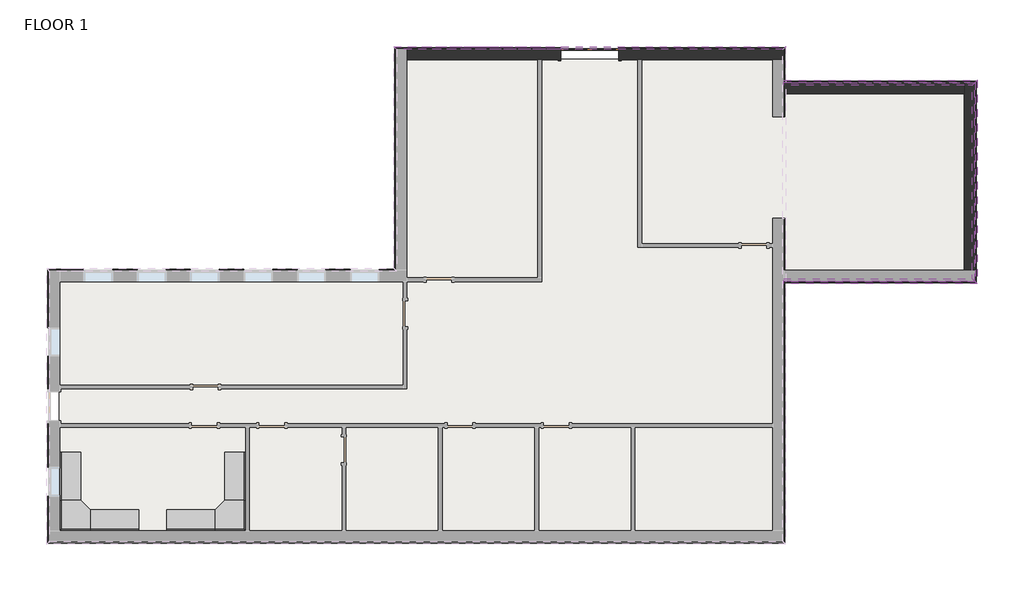
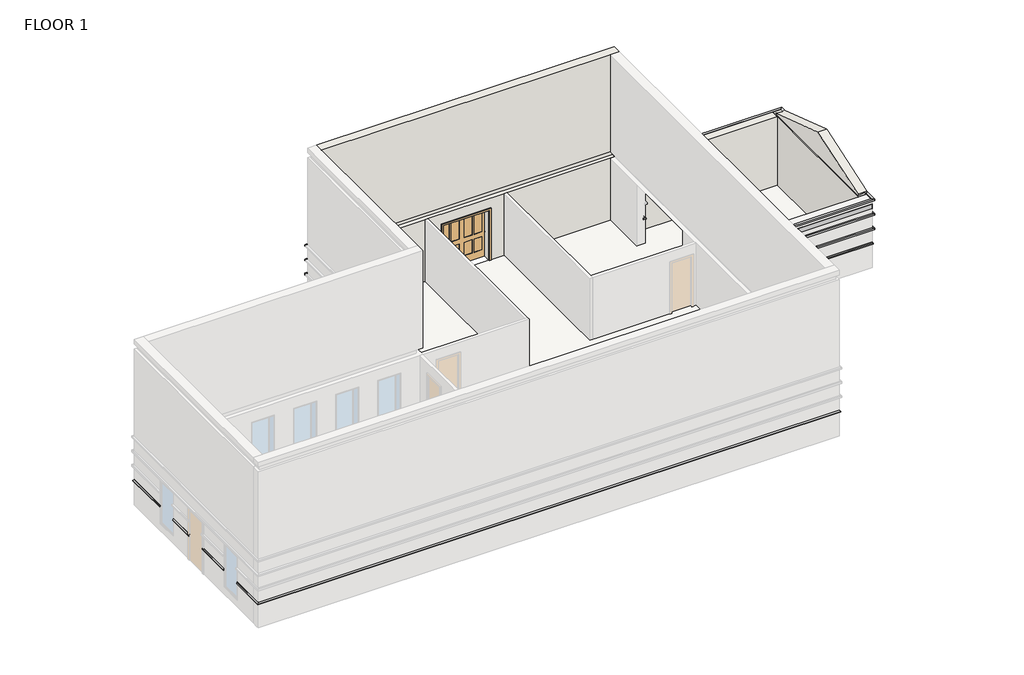
# One storey, part 3 of 3: 24 proxies, 3 walls, 2 furniture elements, 1 door, 1 slab.
"""IFC4 building model written with IfcOpenShell, lengths in millimetres."""

import ifcopenshell
import ifcopenshell.guid

model = None  # the IFC model being written
_history = None  # IfcOwnerHistory: only IFC2X3 demands one
_inside = {}  # id of a spatial element -> (the spatial element, [elements in it])
_under = {}  # id of a project, library or spatial element -> (it, [spatial elements below it])
_declared = {}  # id of a project -> (the project, [libraries it declares])
_typed = {}  # id of a type object -> (the type object, [elements of that type])
_made_of = {}  # id of a material, layer set ... -> (it, [elements and type objects made of it])


def new_model(schema):
    """Start an empty IFC model of exactly this schema.

    Asked for "IFC4X3", IfcOpenShell would pick the latest addendum, in which some entities
    have other attributes; the version numbers below select the first issue.
    IFC2X3 requires an IfcOwnerHistory on every rooted entity: one is made here for all.
    """
    global model, _history
    if schema == "IFC4X3":
        model = ifcopenshell.file(schema_version=(4, 3, 0, 0))
    else:
        model = ifcopenshell.file(schema=schema)
    _inside.clear()
    _under.clear()
    _declared.clear()
    _typed.clear()
    _made_of.clear()
    _history = None
    if model.schema == "IFC2X3":
        org = make("IfcOrganization", Name="unknown")
        user = make(
            "IfcPersonAndOrganization",
            ThePerson=make("IfcPerson", FamilyName="unknown"),
            TheOrganization=org,
        )
        app = make(
            "IfcApplication",
            ApplicationDeveloper=org,
            Version="unknown",
            ApplicationFullName="unknown",
            ApplicationIdentifier="unknown",
        )
        _history = make(
            "IfcOwnerHistory",
            OwningUser=user,
            OwningApplication=app,
            ChangeAction="ADDED",
            CreationDate=0,
        )
    return model


def make(cls, **values):
    """One entity of the class cls with the attributes given. An attribute that is None is left unset."""
    return model.create_entity(
        cls, **{name: value for name, value in values.items() if value is not None}
    )


def rooted(cls, **values):
    """An entity with a GlobalId (a new one), such as an element, a storey or a relation."""
    return make(cls, GlobalId=ifcopenshell.guid.new(), OwnerHistory=_history, **values)


def si_unit(unit_type, name, prefix=None):
    """IfcSIUnit, for example si_unit("LENGTHUNIT", "METRE", prefix="MILLI")."""
    return make("IfcSIUnit", UnitType=unit_type, Prefix=prefix, Name=name)


def assignment(units):
    """IfcUnitAssignment: the units of a project."""
    return None if units is None else make("IfcUnitAssignment", Units=units)


def point(xyz):
    """IfcCartesianPoint."""
    return None if xyz is None else make("IfcCartesianPoint", Coordinates=xyz)


def direction(xyz):
    """IfcDirection."""
    return None if xyz is None else make("IfcDirection", DirectionRatios=xyz)


def frame(location, z_axis=None, x_axis=None):
    """IfcAxis2Placement3D, a coordinate frame: its origin and axes. An axis left out is left unset."""
    return make(
        "IfcAxis2Placement3D",
        Location=point(location),
        Axis=direction(z_axis),
        RefDirection=direction(x_axis),
    )


def origin():
    """The frame at (0, 0, 0) with its axes left unset."""
    return frame((0.0, 0.0, 0.0))


def origin_with_axes():
    """The frame at (0, 0, 0) with the z axis (0, 0, 1) and the x axis (1, 0, 0) written out."""
    return frame((0.0, 0.0, 0.0), z_axis=(0.0, 0.0, 1.0), x_axis=(1.0, 0.0, 0.0))


def place(relative_to, where):
    """IfcLocalPlacement: puts the frame where relative to a parent placement (None: the world)."""
    return make(
        "IfcLocalPlacement", PlacementRelTo=relative_to, RelativePlacement=where
    )


def context(
    kind, dimensions, precision=None, world=None, true_north=None, identifier=None
):
    """IfcGeometricRepresentationContext, for example the 3D "Model" context."""
    return make(
        "IfcGeometricRepresentationContext",
        ContextIdentifier=identifier,
        ContextType=kind,
        CoordinateSpaceDimension=dimensions,
        Precision=precision,
        WorldCoordinateSystem=world,
        TrueNorth=true_north,
    )


def project(units=None, contexts=None):
    """IfcProject with its units and contexts."""
    return rooted(
        "IfcProject",
        Name="project",
        RepresentationContexts=contexts,
        UnitsInContext=assignment(units),
    )


def spatial(cls, under=None, at=None, **own):
    """A site, building, storey or space (cls), placed at a placement, below another one or the project."""
    s = rooted(cls, ObjectPlacement=at, **own)
    if under is not None:
        _under.setdefault(under.id(), (under, []))[1].append(s)
    return s


def polyline(points):
    """IfcPolyline through the points."""
    return make("IfcPolyline", Points=[point(p) for p in points])


def outline(outer, holes=None, kind="AREA"):
    """IfcArbitraryClosedProfileDef: a profile drawn as a closed curve; with holes, ...WithVoids."""
    if holes is None:
        return make("IfcArbitraryClosedProfileDef", ProfileType=kind, OuterCurve=outer)
    return make(
        "IfcArbitraryProfileDefWithVoids",
        ProfileType=kind,
        OuterCurve=outer,
        InnerCurves=holes,
    )


def extrude(swept, where, along, depth):
    """IfcExtrudedAreaSolid: the profile swept, set in the frame where, extruded along a direction by depth."""
    return make(
        "IfcExtrudedAreaSolid",
        SweptArea=swept,
        Position=where,
        ExtrudedDirection=direction(along),
        Depth=depth,
    )


def faces_of(points, faces, orient=None, outer=None):
    """IfcFace entities. A face is a list of loops; a loop is a list of indices into points, from 0.

    orient and outer hold one flag for each loop. By default every Orientation is true, the
    first loop of a face is its IfcFaceOuterBound and the others are IfcFaceBound.
    """
    made = []
    for i, loops in enumerate(faces):
        bounds = []
        for j, loop in enumerate(loops):
            is_outer = j == 0 if outer is None else outer[i][j]
            bounds.append(
                make(
                    "IfcFaceOuterBound" if is_outer else "IfcFaceBound",
                    Bound=make("IfcPolyLoop", Polygon=[points[k] for k in loop]),
                    Orientation=True if orient is None else orient[i][j],
                )
            )
        made.append(make("IfcFace", Bounds=bounds))
    return made


def faceted_brep(points, faces, orient=None, outer=None, voids=None):
    """IfcFacetedBrep: a solid bounded by flat faces; with voids (closed shells), ...WithVoids."""
    shared = [point(p) for p in points]
    hull = make("IfcClosedShell", CfsFaces=faces_of(shared, faces, orient, outer))
    if voids is None:
        return make("IfcFacetedBrep", Outer=hull)
    return make(
        "IfcFacetedBrepWithVoids",
        Outer=hull,
        Voids=[
            make(cls, CfsFaces=faces_of(shared, fs, o, b)) for cls, fs, o, b in voids
        ],
    )


def shape(context_of_items, identifier, shape_type, items):
    """IfcShapeRepresentation: the items that make up one representation, for example the "Body"."""
    return make(
        "IfcShapeRepresentation",
        ContextOfItems=context_of_items,
        RepresentationIdentifier=identifier,
        RepresentationType=shape_type,
        Items=items,
    )


def source(mapping_origin, context_of_items, identifier, shape_type, items):
    """IfcRepresentationMap: a shape defined once, which mapped items show again and again."""
    return make(
        "IfcRepresentationMap",
        MappingOrigin=mapping_origin,
        MappedRepresentation=shape(context_of_items, identifier, shape_type, items),
    )


def transform(
    local_origin,
    x_axis=None,
    y_axis=None,
    z_axis=None,
    scale=None,
    scale2=None,
    scale3=None,
    uniform=True,
):
    """IfcCartesianTransformationOperator3D, or its non-uniform kind. x_axis, y_axis, z_axis: its Axis1, 2, 3."""
    if uniform:
        return make(
            "IfcCartesianTransformationOperator3D",
            Axis1=direction(x_axis),
            Axis2=direction(y_axis),
            LocalOrigin=point(local_origin),
            Scale=scale,
            Axis3=direction(z_axis),
        )
    return make(
        "IfcCartesianTransformationOperator3DnonUniform",
        Axis1=direction(x_axis),
        Axis2=direction(y_axis),
        LocalOrigin=point(local_origin),
        Scale=scale,
        Axis3=direction(z_axis),
        Scale2=scale2,
        Scale3=scale3,
    )


def mapped(mapping_source, mapping_target):
    """IfcMappedItem: shows the shape of a source again, moved by a transform."""
    return make(
        "IfcMappedItem", MappingSource=mapping_source, MappingTarget=mapping_target
    )


def made_of(thing, what):
    """Note that an element or type object is made of a material, layer set ...; save() writes the relation."""
    if what is not None:
        _made_of.setdefault(what.id(), (what, []))[1].append(thing)
    return thing


def element(
    cls,
    number,
    at=None,
    inside=None,
    cuts=None,
    type_object=None,
    material=None,
    context=None,
    identifier="Body",
    shape_type=None,
    held_by="IfcProductDefinitionShape",
    body=None,
    shapes=None,
    **own,
):
    """One element of the class cls, such as IfcWall. Its Tag is "e" and its number.

    at: its placement. inside: the storey or other place that contains it. cuts: it is an
    opening in that element (IfcRelVoidsElement). A single representation is given by context,
    identifier, shape_type and body (its items); several are given by shapes. held_by: the class
    of the entity that holds the representations. save() writes the other relations.
    """
    e = rooted(cls, Tag="e%d" % number, ObjectPlacement=at, **own)
    if body is not None:
        shapes = [shape(context, identifier, shape_type, body)]
    if shapes is not None:
        e.Representation = make(held_by, Representations=shapes)
    if inside is not None:
        _inside.setdefault(inside.id(), (inside, []))[1].append(e)
    if cuts is not None:
        rooted(
            "IfcRelVoidsElement", RelatingBuildingElement=cuts, RelatedOpeningElement=e
        )
    if type_object is not None:
        _typed.setdefault(type_object.id(), (type_object, []))[1].append(e)
    return made_of(e, material)


def aggregate(whole, parts):
    """IfcRelAggregates: a whole, such as a stair, and the parts it consists of."""
    return rooted("IfcRelAggregates", RelatingObject=whole, RelatedObjects=parts)


def save(model, path):
    """Write the relations noted so far, then the file.

    IfcRelAggregates (storeys below a building ...), IfcRelContainedInSpatialStructure (elements
    in a storey), IfcRelDefinesByType, IfcRelAssociatesMaterial and IfcRelDeclares: one each for
    every whole, place, type object, material and project.
    """
    for whole, parts in _under.values():
        aggregate(whole, parts)
    for where, things in _inside.values():
        rooted(
            "IfcRelContainedInSpatialStructure",
            RelatedElements=things,
            RelatingStructure=where,
        )
    for kind, things in _typed.values():
        rooted("IfcRelDefinesByType", RelatedObjects=things, RelatingType=kind)
    for what, things in _made_of.values():
        rooted("IfcRelAssociatesMaterial", RelatedObjects=things, RelatingMaterial=what)
    for by, libraries in _declared.values():
        rooted("IfcRelDeclares", RelatingContext=by, RelatedDefinitions=libraries)
    model.write(path)


def door_602acdc1(model_context):
    return source(origin(), model_context, "Body", "SweptSolid", [
        extrude(outline(polyline([(2209.8, -990.6), (0.0, -990.6), (0.0, -914.4), (2133.6, -914.4), (2133.6, 914.4), (0.0, 914.4), (0.0, 990.6), (2209.8, 990.6), (2209.8, -990.6)])), frame((0.0, 176.2125, 0.0), z_axis=(0.0, 1.0, 0.0), x_axis=(0.0, 0.0, 1.0)), (0.0, 0.0, 1.0), 25.4),
        extrude(outline(polyline([(495.3, 163.5125), (812.8, 163.5125), (812.8, 138.1125), (495.3, 138.1125), (495.3, 163.5125)])), frame((0.0, 0.0, 1066.8), z_axis=(0.0, 0.0, 1.0), x_axis=(1.0, 0.0, 0.0)), (0.0, 0.0, 1.0), 889.0),
        extrude(outline(polyline([(101.6, 163.5125), (419.1, 163.5125), (419.1, 138.1125), (101.6, 138.1125), (101.6, 163.5125)])), frame((0.0, 0.0, 1066.8), z_axis=(0.0, 0.0, 1.0), x_axis=(1.0, 0.0, 0.0)), (0.0, 0.0, 1.0), 889.0),
        extrude(outline(polyline([(495.3, 163.5125), (812.8, 163.5125), (812.8, 138.1125), (495.3, 138.1125), (495.3, 163.5125)])), frame((0.0, 0.0, 304.8), z_axis=(0.0, 0.0, 1.0), x_axis=(1.0, 0.0, 0.0)), (0.0, 0.0, 1.0), 558.8),
        extrude(outline(polyline([(101.6, 163.5125), (419.1, 163.5125), (419.1, 138.1125), (101.6, 138.1125), (101.6, 163.5125)])), frame((0.0, 0.0, 304.8), z_axis=(0.0, 0.0, 1.0), x_axis=(1.0, 0.0, 0.0)), (0.0, 0.0, 1.0), 558.8),
        extrude(outline(polyline([(-419.1, 163.5125), (-101.6, 163.5125), (-101.6, 138.1125), (-419.1, 138.1125), (-419.1, 163.5125)])), frame((0.0, 0.0, 1066.8), z_axis=(0.0, 0.0, 1.0), x_axis=(1.0, 0.0, 0.0)), (0.0, 0.0, 1.0), 889.0),
        extrude(outline(polyline([(-812.8, 163.5125), (-495.3, 163.5125), (-495.3, 138.1125), (-812.8, 138.1125), (-812.8, 163.5125)])), frame((0.0, 0.0, 1066.8), z_axis=(0.0, 0.0, 1.0), x_axis=(1.0, 0.0, 0.0)), (0.0, 0.0, 1.0), 889.0),
        extrude(outline(polyline([(-419.1, 163.5125), (-101.6, 163.5125), (-101.6, 138.1125), (-419.1, 138.1125), (-419.1, 163.5125)])), frame((0.0, 0.0, 304.8), z_axis=(0.0, 0.0, 1.0), x_axis=(1.0, 0.0, 0.0)), (0.0, 0.0, 1.0), 558.8),
        extrude(outline(polyline([(-812.8, 163.5125), (-495.3, 163.5125), (-495.3, 138.1125), (-812.8, 138.1125), (-812.8, 163.5125)])), frame((0.0, 0.0, 304.8), z_axis=(0.0, 0.0, 1.0), x_axis=(1.0, 0.0, 0.0)), (0.0, 0.0, 1.0), 558.8),
        extrude(outline(polyline([(2133.6, 0.0), (2133.6, -914.4), (0.0, -914.4), (0.0, 0.0), (0.0, 914.4), (2133.6, 914.4), (2133.6, 0.0)]), holes=[polyline([(1955.8, 495.3), (1955.8, 812.8), (1066.8, 812.8), (1066.8, 495.3), (1955.8, 495.3)]), polyline([(1955.8, 101.6), (1955.8, 419.1), (1066.8, 419.1), (1066.8, 101.6), (1955.8, 101.6)]), polyline([(863.6, 495.3), (863.6, 812.8), (304.8, 812.8), (304.8, 495.3), (863.6, 495.3)]), polyline([(863.6, 101.6), (863.6, 419.1), (304.8, 419.1), (304.8, 101.6), (863.6, 101.6)]), polyline([(1066.8, -419.1), (1955.8, -419.1), (1955.8, -101.6), (1066.8, -101.6), (1066.8, -419.1)]), polyline([(1955.8, -812.8), (1955.8, -495.3), (1066.8, -495.3), (1066.8, -812.8), (1955.8, -812.8)]), polyline([(863.6, -419.1), (863.6, -101.6), (304.8, -101.6), (304.8, -419.1), (863.6, -419.1)]), polyline([(863.6, -812.8), (863.6, -495.3), (304.8, -495.3), (304.8, -812.8), (863.6, -812.8)])]), frame((0.0, 125.4125, 0.0), z_axis=(0.0, 1.0, 0.0), x_axis=(0.0, 0.0, 1.0)), (0.0, 0.0, 1.0), 50.8),
        extrude(outline(polyline([(2133.6, -914.4), (2133.6, 914.4), (0.0, 914.4), (0.0, 990.6), (2209.8, 990.6), (2209.8, -990.6), (0.0, -990.6), (0.0, -914.4), (2133.6, -914.4)])), frame((0.0, -201.6125, 0.0), z_axis=(0.0, 1.0, 0.0), x_axis=(0.0, 0.0, 1.0)), (0.0, 0.0, 1.0), 25.4),
    ])


def furniture_45e3acac(model_context):
    return source(origin(), model_context, "Body", "SweptSolid", [
        extrude(outline(polyline([(-80.9317522, -545.8230076), (833.4682478, -545.8230076), (833.4682478, -1155.4230076), (528.6682478, -1460.2230076), (-80.9317522, -1460.2230076), (-80.9317522, -545.8230076)])), frame((0.0, 0.0, 723.9), z_axis=(0.0, 0.0, 1.0), x_axis=(1.0, 0.0, 0.0)), (0.0, 0.0, 1.0), 38.1),
        extrude(outline(polyline([(528.6682478, -2984.2230076), (-80.9317522, -2984.2230076), (-80.9317522, -1460.2230076), (528.6682478, -1460.2230076), (528.6682478, -2984.2230076)])), frame((0.0, 0.0, 723.9), z_axis=(0.0, 0.0, 1.0), x_axis=(1.0, 0.0, 0.0)), (0.0, 0.0, 1.0), 38.1),
        extrude(outline(polyline([(2357.4682478, -1155.4230076), (833.4682478, -1155.4230076), (833.4682478, -545.8230076), (2357.4682478, -545.8230076), (2357.4682478, -1155.4230076)])), frame((0.0, 0.0, 723.9), z_axis=(0.0, 0.0, 1.0), x_axis=(1.0, 0.0, 0.0)), (0.0, 0.0, 1.0), 38.1),
        extrude(outline(polyline([(2357.4682478, -545.8230076), (833.4682478, -545.8230076), (833.4682478, -495.0230076), (2357.4682478, -495.0230076), (2357.4682478, -545.8230076)])), origin_with_axes(), (0.0, 0.0, 1.0), 1676.4),
        extrude(outline(polyline([(833.4682478, -545.8230076), (-80.9317522, -545.8230076), (-80.9317522, -495.0230076), (833.4682478, -495.0230076), (833.4682478, -545.8230076)])), origin_with_axes(), (0.0, 0.0, 1.0), 1676.4),
        extrude(outline(polyline([(-80.9317522, -1460.2230076), (-131.7317522, -1460.2230076), (-131.7317522, -545.8230076), (-80.9317522, -545.8230076), (-80.9317522, -1460.2230076)])), origin_with_axes(), (0.0, 0.0, 1.0), 1676.4),
        extrude(outline(polyline([(-80.9317522, -2984.2230076), (-131.7317522, -2984.2230076), (-131.7317522, -1460.2230076), (-80.9317522, -1460.2230076), (-80.9317522, -2984.2230076)])), origin_with_axes(), (0.0, 0.0, 1.0), 1676.4),
    ])


def furniture_7b33082a(model_context):
    return source(origin(), model_context, "Body", "SweptSolid", [
        extrude(outline(polyline([(-80.9317522, 545.8230076), (-80.9317522, 1460.2230076), (528.6682478, 1460.2230076), (833.4682478, 1155.4230076), (833.4682478, 545.8230076), (-80.9317522, 545.8230076)])), frame((0.0, 0.0, 723.9), z_axis=(0.0, 0.0, 1.0), x_axis=(1.0, 0.0, 0.0)), (0.0, 0.0, 1.0), 38.1),
        extrude(outline(polyline([(528.6682478, 2984.2230076), (528.6682478, 1460.2230076), (-80.9317522, 1460.2230076), (-80.9317522, 2984.2230076), (528.6682478, 2984.2230076)])), frame((0.0, 0.0, 723.9), z_axis=(0.0, 0.0, 1.0), x_axis=(1.0, 0.0, 0.0)), (0.0, 0.0, 1.0), 38.1),
        extrude(outline(polyline([(2357.4682478, 1155.4230076), (2357.4682478, 545.8230076), (833.4682478, 545.8230076), (833.4682478, 1155.4230076), (2357.4682478, 1155.4230076)])), frame((0.0, 0.0, 723.9), z_axis=(0.0, 0.0, 1.0), x_axis=(1.0, 0.0, 0.0)), (0.0, 0.0, 1.0), 38.1),
        extrude(outline(polyline([(2357.4682478, 545.8230076), (2357.4682478, 495.0230076), (833.4682478, 495.0230076), (833.4682478, 545.8230076), (2357.4682478, 545.8230076)])), origin_with_axes(), (0.0, 0.0, 1.0), 1676.4),
        extrude(outline(polyline([(833.4682478, 545.8230076), (833.4682478, 495.0230076), (-80.9317522, 495.0230076), (-80.9317522, 545.8230076), (833.4682478, 545.8230076)])), origin_with_axes(), (0.0, 0.0, 1.0), 1676.4),
        extrude(outline(polyline([(-80.9317522, 1460.2230076), (-80.9317522, 545.8230076), (-131.7317522, 545.8230076), (-131.7317522, 1460.2230076), (-80.9317522, 1460.2230076)])), origin_with_axes(), (0.0, 0.0, 1.0), 1676.4),
        extrude(outline(polyline([(-80.9317522, 2984.2230076), (-80.9317522, 1460.2230076), (-131.7317522, 1460.2230076), (-131.7317522, 2984.2230076), (-80.9317522, 2984.2230076)])), origin_with_axes(), (0.0, 0.0, 1.0), 1676.4),
    ])


model = new_model("IFC4")

# Units and contexts
model_context = context("Model", 3, world=origin())
ifc_project = project(units=[si_unit("LENGTHUNIT", "METRE", prefix="MILLI")], contexts=[model_context])

# Site, building, storey
site = spatial("IfcSite", under=ifc_project)
building = spatial("IfcBuilding", under=site)
storey = spatial("IfcBuildingStorey", under=building, Name="FLOOR 1", Elevation=0.0)

# Proxies
placement = place(None, origin())
element("IfcBuildingElementProxy", 1, Name="Reveals", at=placement, inside=storey, context=model_context, shape_type="SweptSolid", body=[
    extrude(outline(polyline([(6467.2644897, 540.4202768), (6375.1894897, 632.4952768), (11658.3894897, 632.4952768), (11658.3894897, 540.4202768), (6467.2644897, 540.4202768)])), frame((0.0, 0.0, 1625.6), z_axis=(0.0, 0.0, 1.0), x_axis=(1.0, 0.0, 0.0)), (0.0, 0.0, 1.0), 67.7333333),
    extrude(outline(polyline([(13487.1894897, 540.4202768), (13487.1894897, 632.4952768), (18770.3894897, 632.4952768), (18678.3144897, 540.4202768), (13487.1894897, 540.4202768)])), frame((0.0, 0.0, 1625.6), z_axis=(0.0, 0.0, 1.0), x_axis=(1.0, 0.0, 0.0)), (0.0, 0.0, 1.0), 67.7333333),
])
element("IfcBuildingElementProxy", 2, Name="Reveals", at=placement, inside=storey, context=model_context, shape_type="SweptSolid", body=[
    extrude(outline(polyline([(6467.2644897, 540.4202768), (6375.1894897, 632.4952768), (18770.3894897, 632.4952768), (18678.3144897, 540.4202768), (6467.2644897, 540.4202768)])), frame((0.0, 0.0, 2235.2), z_axis=(0.0, 0.0, 1.0), x_axis=(1.0, 0.0, 0.0)), (0.0, 0.0, 1.0), 67.7333333),
])
element("IfcBuildingElementProxy", 3, Name="Reveals", at=placement, inside=storey, context=model_context, shape_type="SweptSolid", body=[
    extrude(outline(polyline([(6467.2644897, 540.4202768), (6375.1894897, 632.4952768), (18770.3894897, 632.4952768), (18678.3144897, 540.4202768), (6467.2644897, 540.4202768)])), frame((0.0, 0.0, 2844.8), z_axis=(0.0, 0.0, 1.0), x_axis=(1.0, 0.0, 0.0)), (0.0, 0.0, 1.0), 67.7333333),
])
element("IfcBuildingElementProxy", 4, Name="Wall Sweeps", at=placement, inside=storey, context=model_context, shape_type="Brep", body=[
    faceted_brep([(6533.9394897, 473.7452768, 1085.85), (6441.8644897, 565.8202768, 1085.85), (6406.9394897, 600.7452768, 1041.4), (6406.9394897, 600.7452768, 1016.0), (6533.9394897, 473.7452768, 1016.0), (11658.3894897, 473.7452768, 1085.85), (11658.3894897, 473.7452768, 1016.0), (11658.3894897, 565.8202768, 1016.0), (11658.3894897, 600.7452768, 1016.0), (11658.3894897, 600.7452768, 1041.4), (11658.3894897, 565.8202768, 1085.85), (6794.2894897, 473.7452768, 1085.85), (6794.2894897, 473.7452768, 1016.0)], [[[0, 1, 2, 3, 4]], [[5, 6, 7, 8, 9, 10]], [[1, 0, 11, 5, 10]], [[2, 1, 10, 9]], [[3, 2, 9, 8]], [[4, 3, 8, 7, 6, 12]], [[0, 4, 12, 6, 5, 11]]]),
    faceted_brep([(13487.1894897, 473.7452768, 1085.85), (13487.1894897, 565.8202768, 1085.85), (13487.1894897, 600.7452768, 1041.4), (13487.1894897, 600.7452768, 1016.0), (13487.1894897, 565.8202768, 1016.0), (13487.1894897, 473.7452768, 1016.0), (18611.6394897, 473.7452768, 1085.85), (18611.6394897, 473.7452768, 1016.0), (18738.6394897, 600.7452768, 1016.0), (18738.6394897, 600.7452768, 1041.4), (18703.7144897, 565.8202768, 1085.85)], [[[0, 1, 2, 3, 4, 5]], [[6, 7, 8, 9, 10]], [[1, 0, 6, 10]], [[2, 1, 10, 9]], [[3, 2, 9, 8]], [[5, 4, 3, 8, 7]], [[0, 5, 7, 6]]]),
])
element("IfcBuildingElementProxy", 5, Name="Wall Sweeps", at=placement, inside=storey, context=model_context, shape_type="Brep", body=[
    faceted_brep([(18611.6394897, -14934.5297232, 1085.85), (18703.7144897, -15026.6047232, 1085.85), (18738.6394897, -15061.5297232, 1041.4), (18738.6394897, -15061.5297232, 1016.0), (18611.6394897, -14934.5297232, 1016.0), (-4438.8605103, -14934.5297232, 1085.85), (-4438.8605103, -14934.5297232, 1016.0), (-4565.8605103, -15061.5297232, 1016.0), (-4565.8605103, -15061.5297232, 1041.4), (-4530.9355103, -15026.6047232, 1085.85)], [[[0, 1, 2, 3, 4]], [[5, 6, 7, 8, 9]], [[1, 0, 5, 9]], [[2, 1, 9, 8]], [[3, 2, 8, 7]], [[4, 3, 7, 6]], [[0, 4, 6, 5]]]),
])
element("IfcBuildingElementProxy", 6, Name="Wall Sweeps", at=placement, inside=storey, context=model_context, shape_type="Brep", body=[
    faceted_brep([(-4438.8605103, -14934.5297232, 1085.85), (-4530.9355103, -15026.6047232, 1085.85), (-4565.8605103, -15061.5297232, 1041.4), (-4565.8605103, -15061.5297232, 1016.0), (-4438.8605103, -14934.5297232, 1016.0), (-4438.8605103, -13582.5257309, 1085.85), (-4438.8605103, -13582.5257309, 1016.0), (-4530.9355103, -13582.5257309, 1016.0), (-4565.8605103, -13582.5257309, 1016.0), (-4565.8605103, -13582.5257309, 1041.4), (-4530.9355103, -13582.5257309, 1085.85), (-4438.8605103, -14674.1797232, 1085.85), (-4438.8605103, -14674.1797232, 1016.0)], [[[0, 1, 2, 3, 4]], [[5, 6, 7, 8, 9, 10]], [[1, 0, 11, 5, 10]], [[2, 1, 10, 9]], [[3, 2, 9, 8]], [[4, 3, 8, 7, 6, 12]], [[0, 4, 12, 6, 5, 11]]]),
    faceted_brep([(-4438.8605103, -12668.1257309, 1085.85), (-4530.9355103, -12668.1257309, 1085.85), (-4565.8605103, -12668.1257309, 1041.4), (-4565.8605103, -12668.1257309, 1016.0), (-4530.9355103, -12668.1257309, 1016.0), (-4438.8605103, -12668.1257309, 1016.0), (-4438.8605103, -11192.7922232, 1085.85), (-4438.8605103, -11192.7922232, 1016.0), (-4530.9355103, -11192.7922232, 1016.0), (-4565.8605103, -11192.7922232, 1016.0), (-4565.8605103, -11192.7922232, 1041.4), (-4530.9355103, -11192.7922232, 1085.85)], [[[0, 1, 2, 3, 4, 5]], [[6, 7, 8, 9, 10, 11]], [[1, 0, 6, 11]], [[2, 1, 11, 10]], [[3, 2, 10, 9]], [[5, 4, 3, 9, 8, 7]], [[0, 5, 7, 6]]]),
    faceted_brep([(-4438.8605103, -10278.3922232, 1085.85), (-4530.9355103, -10278.3922232, 1085.85), (-4565.8605103, -10278.3922232, 1041.4), (-4565.8605103, -10278.3922232, 1016.0), (-4530.9355103, -10278.3922232, 1016.0), (-4438.8605103, -10278.3922232, 1016.0), (-4438.8605103, -9162.9257309, 1085.85), (-4438.8605103, -9162.9257309, 1016.0), (-4530.9355103, -9162.9257309, 1016.0), (-4565.8605103, -9162.9257309, 1016.0), (-4565.8605103, -9162.9257309, 1041.4), (-4530.9355103, -9162.9257309, 1085.85)], [[[0, 1, 2, 3, 4, 5]], [[6, 7, 8, 9, 10, 11]], [[1, 0, 6, 11]], [[2, 1, 11, 10]], [[3, 2, 10, 9]], [[5, 4, 3, 9, 8, 7]], [[0, 5, 7, 6]]]),
    faceted_brep([(-4438.8605103, -8248.5257309, 1085.85), (-4530.9355103, -8248.5257309, 1085.85), (-4565.8605103, -8248.5257309, 1041.4), (-4565.8605103, -8248.5257309, 1016.0), (-4530.9355103, -8248.5257309, 1016.0), (-4438.8605103, -8248.5257309, 1016.0), (-4438.8605103, -6536.6547232, 1085.85), (-4438.8605103, -6536.6547232, 1016.0), (-4565.8605103, -6409.6547232, 1016.0), (-4565.8605103, -6409.6547232, 1041.4), (-4530.9355103, -6444.5797232, 1085.85)], [[[0, 1, 2, 3, 4, 5]], [[6, 7, 8, 9, 10]], [[1, 0, 6, 10]], [[2, 1, 10, 9]], [[3, 2, 9, 8]], [[5, 4, 3, 8, 7]], [[0, 5, 7, 6]]]),
])
element("IfcBuildingElementProxy", 7, Name="Wall Sweeps", at=placement, inside=storey, context=model_context, shape_type="Brep", body=[
    faceted_brep([(-4438.8605103, -6536.6547232, 1085.85), (-4530.9355103, -6444.5797232, 1085.85), (-4565.8605103, -6409.6547232, 1041.4), (-4565.8605103, -6409.6547232, 1016.0), (-4438.8605103, -6536.6547232, 1016.0), (-3416.5105103, -6536.6547232, 1085.85), (-3416.5105103, -6536.6547232, 1016.0), (-3416.5105103, -6444.5797232, 1016.0), (-3416.5105103, -6409.6547232, 1016.0), (-3416.5105103, -6409.6547232, 1041.4), (-3416.5105103, -6444.5797232, 1085.85), (-4178.5105103, -6536.6547232, 1085.85), (-4178.5105103, -6536.6547232, 1016.0)], [[[0, 1, 2, 3, 4]], [[5, 6, 7, 8, 9, 10]], [[1, 0, 11, 5, 10]], [[2, 1, 10, 9]], [[3, 2, 9, 8]], [[4, 3, 8, 7, 6, 12]], [[0, 4, 12, 6, 5, 11]]]),
    faceted_brep([(-2502.1105103, -6536.6547232, 1085.85), (-2502.1105103, -6444.5797232, 1085.85), (-2502.1105103, -6409.6547232, 1041.4), (-2502.1105103, -6409.6547232, 1016.0), (-2502.1105103, -6444.5797232, 1016.0), (-2502.1105103, -6536.6547232, 1016.0), (-1732.4905103, -6536.6547232, 1085.85), (-1732.4905103, -6536.6547232, 1016.0), (-1732.4905103, -6444.5797232, 1016.0), (-1732.4905103, -6409.6547232, 1016.0), (-1732.4905103, -6409.6547232, 1041.4), (-1732.4905103, -6444.5797232, 1085.85)], [[[0, 1, 2, 3, 4, 5]], [[6, 7, 8, 9, 10, 11]], [[1, 0, 6, 11]], [[2, 1, 11, 10]], [[3, 2, 10, 9]], [[5, 4, 3, 9, 8, 7]], [[0, 5, 7, 6]]]),
    faceted_brep([(-818.0905103, -6536.6547232, 1085.85), (-818.0905103, -6444.5797232, 1085.85), (-818.0905103, -6409.6547232, 1041.4), (-818.0905103, -6409.6547232, 1016.0), (-818.0905103, -6444.5797232, 1016.0), (-818.0905103, -6536.6547232, 1016.0), (-48.4705103, -6536.6547232, 1085.85), (-48.4705103, -6536.6547232, 1016.0), (-48.4705103, -6444.5797232, 1016.0), (-48.4705103, -6409.6547232, 1016.0), (-48.4705103, -6409.6547232, 1041.4), (-48.4705103, -6444.5797232, 1085.85)], [[[0, 1, 2, 3, 4, 5]], [[6, 7, 8, 9, 10, 11]], [[1, 0, 6, 11]], [[2, 1, 11, 10]], [[3, 2, 10, 9]], [[5, 4, 3, 9, 8, 7]], [[0, 5, 7, 6]]]),
    faceted_brep([(865.9294897, -6536.6547232, 1085.85), (865.9294897, -6444.5797232, 1085.85), (865.9294897, -6409.6547232, 1041.4), (865.9294897, -6409.6547232, 1016.0), (865.9294897, -6444.5797232, 1016.0), (865.9294897, -6536.6547232, 1016.0), (1635.5494897, -6536.6547232, 1085.85), (1635.5494897, -6536.6547232, 1016.0), (1635.5494897, -6444.5797232, 1016.0), (1635.5494897, -6409.6547232, 1016.0), (1635.5494897, -6409.6547232, 1041.4), (1635.5494897, -6444.5797232, 1085.85)], [[[0, 1, 2, 3, 4, 5]], [[6, 7, 8, 9, 10, 11]], [[1, 0, 6, 11]], [[2, 1, 11, 10]], [[3, 2, 10, 9]], [[5, 4, 3, 9, 8, 7]], [[0, 5, 7, 6]]]),
    faceted_brep([(2549.9494897, -6536.6547232, 1085.85), (2549.9494897, -6444.5797232, 1085.85), (2549.9494897, -6409.6547232, 1041.4), (2549.9494897, -6409.6547232, 1016.0), (2549.9494897, -6444.5797232, 1016.0), (2549.9494897, -6536.6547232, 1016.0), (3319.5694897, -6536.6547232, 1085.85), (3319.5694897, -6536.6547232, 1016.0), (3319.5694897, -6444.5797232, 1016.0), (3319.5694897, -6409.6547232, 1016.0), (3319.5694897, -6409.6547232, 1041.4), (3319.5694897, -6444.5797232, 1085.85)], [[[0, 1, 2, 3, 4, 5]], [[6, 7, 8, 9, 10, 11]], [[1, 0, 6, 11]], [[2, 1, 11, 10]], [[3, 2, 10, 9]], [[5, 4, 3, 9, 8, 7]], [[0, 5, 7, 6]]]),
    faceted_brep([(4233.9694897, -6536.6547232, 1085.85), (4233.9694897, -6444.5797232, 1085.85), (4233.9694897, -6409.6547232, 1041.4), (4233.9694897, -6409.6547232, 1016.0), (4233.9694897, -6444.5797232, 1016.0), (4233.9694897, -6536.6547232, 1016.0), (5003.5894897, -6536.6547232, 1085.85), (5003.5894897, -6536.6547232, 1016.0), (5003.5894897, -6444.5797232, 1016.0), (5003.5894897, -6409.6547232, 1016.0), (5003.5894897, -6409.6547232, 1041.4), (5003.5894897, -6444.5797232, 1085.85)], [[[0, 1, 2, 3, 4, 5]], [[6, 7, 8, 9, 10, 11]], [[1, 0, 6, 11]], [[2, 1, 11, 10]], [[3, 2, 10, 9]], [[5, 4, 3, 9, 8, 7]], [[0, 5, 7, 6]]]),
    faceted_brep([(5917.9894897, -6536.6547232, 1085.85), (5917.9894897, -6444.5797232, 1085.85), (5917.9894897, -6409.6547232, 1041.4), (5917.9894897, -6409.6547232, 1016.0), (5917.9894897, -6444.5797232, 1016.0), (5917.9894897, -6536.6547232, 1016.0), (6533.9394897, -6536.6547232, 1085.85), (6533.9394897, -6536.6547232, 1016.0), (6406.9394897, -6409.6547232, 1016.0), (6406.9394897, -6409.6547232, 1041.4), (6441.8644897, -6444.5797232, 1085.85)], [[[0, 1, 2, 3, 4, 5]], [[6, 7, 8, 9, 10]], [[1, 0, 6, 10]], [[2, 1, 10, 9]], [[3, 2, 9, 8]], [[5, 4, 3, 8, 7]], [[0, 5, 7, 6]]]),
])
element("IfcBuildingElementProxy", 8, Name="Wall Sweeps", at=placement, inside=storey, context=model_context, shape_type="Brep", body=[
    faceted_brep([(6533.9394897, -6536.6547232, 1085.85), (6441.8644897, -6444.5797232, 1085.85), (6406.9394897, -6409.6547232, 1041.4), (6406.9394897, -6409.6547232, 1016.0), (6533.9394897, -6536.6547232, 1016.0), (6533.9394897, 473.7452768, 1085.85), (6533.9394897, 473.7452768, 1016.0), (6406.9394897, 600.7452768, 1016.0), (6406.9394897, 600.7452768, 1041.4), (6441.8644897, 565.8202768, 1085.85), (6533.9394897, -6444.5797232, 1016.0), (6533.9394897, -6444.5797232, 1085.85)], [[[0, 1, 2, 3, 4]], [[5, 6, 7, 8, 9]], [[0, 4, 10, 6, 5, 11]], [[4, 3, 7, 6, 10]], [[3, 2, 8, 7]], [[2, 1, 9, 8]], [[1, 0, 11, 5, 9]]]),
])
element("IfcBuildingElementProxy", 9, Name="Wall Sweeps", at=placement, inside=storey, context=model_context, shape_type="Brep", body=[
    faceted_brep([(18611.6394897, 473.7452768, 1085.85), (18703.7144897, 565.8202768, 1085.85), (18738.6394897, 600.7452768, 1041.4), (18738.6394897, 600.7452768, 1016.0), (18611.6394897, 473.7452768, 1016.0), (18611.6394897, -1591.5922232, 1085.85), (18611.6394897, -1591.5922232, 1016.0), (18703.7144897, -1591.5922232, 1016.0), (18738.6394897, -1591.5922232, 1016.0), (18738.6394897, -1591.5922232, 1041.4), (18703.7144897, -1591.5922232, 1085.85), (18611.6394897, 213.3952768, 1085.85), (18611.6394897, 213.3952768, 1016.0)], [[[0, 1, 2, 3, 4]], [[5, 6, 7, 8, 9, 10]], [[1, 0, 11, 5, 10]], [[2, 1, 10, 9]], [[3, 2, 9, 8]], [[4, 3, 8, 7, 6, 12]], [[0, 4, 12, 6, 5, 11]]]),
    faceted_brep([(18611.6394897, -4791.9922232, 1085.85), (18703.7144897, -4791.9922232, 1085.85), (18738.6394897, -4791.9922232, 1041.4), (18738.6394897, -4791.9922232, 1016.0), (18703.7144897, -4791.9922232, 1016.0), (18611.6394897, -4791.9922232, 1016.0), (18611.6394897, -14934.5297232, 1085.85), (18611.6394897, -14934.5297232, 1016.0), (18738.6394897, -15061.5297232, 1016.0), (18738.6394897, -15061.5297232, 1041.4), (18703.7144897, -15026.6047232, 1085.85), (18611.6394897, -14674.1797232, 1085.85), (18611.6394897, -14674.1797232, 1016.0)], [[[0, 1, 2, 3, 4, 5]], [[6, 7, 8, 9, 10]], [[1, 0, 11, 6, 10]], [[2, 1, 10, 9]], [[3, 2, 9, 8]], [[5, 4, 3, 8, 7, 12]], [[0, 5, 12, 7, 6, 11]]]),
])
element("IfcBuildingElementProxy", 10, Name="Reveals", at=placement, inside=storey, context=model_context, shape_type="SweptSolid", body=[
    extrude(outline(polyline([(18703.7144897, -6863.6797232), (18703.7144897, -6771.6047232), (24736.2144897, -6771.6047232), (24828.2894897, -6863.6797232), (18703.7144897, -6863.6797232)])), frame((0.0, 0.0, 1625.6), z_axis=(0.0, 0.0, 1.0), x_axis=(1.0, 0.0, 0.0)), (0.0, 0.0, 1.0), 67.7333333),
])
element("IfcBuildingElementProxy", 11, Name="Reveals", at=placement, inside=storey, context=model_context, shape_type="SweptSolid", body=[
    extrude(outline(polyline([(18703.7144897, -6863.6797232), (18703.7144897, -6771.6047232), (24736.2144897, -6771.6047232), (24828.2894897, -6863.6797232), (18703.7144897, -6863.6797232)])), frame((0.0, 0.0, 2235.2), z_axis=(0.0, 0.0, 1.0), x_axis=(1.0, 0.0, 0.0)), (0.0, 0.0, 1.0), 67.7333333),
])
element("IfcBuildingElementProxy", 12, Name="Reveals", at=placement, inside=storey, context=model_context, shape_type="SweptSolid", body=[
    extrude(outline(polyline([(18703.7144897, -6863.6797232), (18703.7144897, -6771.6047232), (24736.2144897, -6771.6047232), (24828.2894897, -6863.6797232), (18703.7144897, -6863.6797232)])), frame((0.0, 0.0, 2844.8), z_axis=(0.0, 0.0, 1.0), x_axis=(1.0, 0.0, 0.0)), (0.0, 0.0, 1.0), 67.7333333),
])
element("IfcBuildingElementProxy", 13, Name="Wall Sweeps", at=placement, inside=storey, context=model_context, shape_type="Brep", body=[
    faceted_brep([(18703.7144897, -6704.9297232, 1085.85), (18703.7144897, -6704.9297232, 1016.0), (18703.7144897, -6797.0047232, 1016.0), (18703.7144897, -6831.9297232, 1016.0), (18703.7144897, -6831.9297232, 1041.4), (18703.7144897, -6797.0047232, 1085.85), (24669.5394897, -6704.9297232, 1085.85), (24761.6144897, -6797.0047232, 1085.85), (24796.5394897, -6831.9297232, 1041.4), (24796.5394897, -6831.9297232, 1016.0), (24669.5394897, -6704.9297232, 1016.0)], [[[0, 1, 2, 3, 4, 5]], [[6, 7, 8, 9, 10]], [[1, 0, 6, 10]], [[3, 2, 1, 10, 9]], [[4, 3, 9, 8]], [[5, 4, 8, 7]], [[0, 5, 7, 6]]]),
])
element("IfcBuildingElementProxy", 14, Name="Wall Sweeps", at=placement, inside=storey, context=model_context, shape_type="SweptSolid", body=[
    extrude(outline(polyline([(18703.7144897, -6797.0047232), (18703.7144897, -6704.9297232), (24669.5394897, -6704.9297232), (24761.6144897, -6797.0047232), (18703.7144897, -6797.0047232)])), frame((0.0, 0.0, 2489.2), z_axis=(0.0, 0.0, 1.0), x_axis=(1.0, 0.0, 0.0)), (0.0, 0.0, 1.0), 203.2),
])
element("IfcBuildingElementProxy", 15, Name="Reveals", at=placement, inside=storey, context=model_context, shape_type="SweptSolid", body=[
    extrude(outline(polyline([(24828.2894897, -6863.6797232), (24736.2144897, -6771.6047232), (24736.2144897, -524.7922232), (24828.2894897, -432.7172232), (24828.2894897, -6863.6797232)])), frame((0.0, 0.0, 1625.6), z_axis=(0.0, 0.0, 1.0), x_axis=(1.0, 0.0, 0.0)), (0.0, 0.0, 1.0), 67.7333333),
])
element("IfcBuildingElementProxy", 16, Name="Reveals", at=placement, inside=storey, context=model_context, shape_type="SweptSolid", body=[
    extrude(outline(polyline([(24828.2894897, -6863.6797232), (24736.2144897, -6771.6047232), (24736.2144897, -524.7922232), (24828.2894897, -432.7172232), (24828.2894897, -6863.6797232)])), frame((0.0, 0.0, 2235.2), z_axis=(0.0, 0.0, 1.0), x_axis=(1.0, 0.0, 0.0)), (0.0, 0.0, 1.0), 67.7333333),
])
element("IfcBuildingElementProxy", 17, Name="Reveals", at=placement, inside=storey, context=model_context, shape_type="SweptSolid", body=[
    extrude(outline(polyline([(24828.2894897, -6863.6797232), (24736.2144897, -6771.6047232), (24736.2144897, -524.7922232), (24828.2894897, -432.7172232), (24828.2894897, -6863.6797232)])), frame((0.0, 0.0, 2844.8), z_axis=(0.0, 0.0, 1.0), x_axis=(1.0, 0.0, 0.0)), (0.0, 0.0, 1.0), 67.7333333),
])
element("IfcBuildingElementProxy", 18, Name="Wall Sweeps", at=placement, inside=storey, context=model_context, shape_type="Brep", body=[
    faceted_brep([(24669.5394897, -6704.9297232, 1085.85), (24669.5394897, -6704.9297232, 1016.0), (24796.5394897, -6831.9297232, 1016.0), (24796.5394897, -6831.9297232, 1041.4), (24761.6144897, -6797.0047232, 1085.85), (24669.5394897, -591.4672232, 1085.85), (24761.6144897, -499.3922232, 1085.85), (24796.5394897, -464.4672232, 1041.4), (24796.5394897, -464.4672232, 1016.0), (24669.5394897, -591.4672232, 1016.0), (24669.5394897, -6444.5797232, 1085.85), (24669.5394897, -6444.5797232, 1016.0)], [[[0, 1, 2, 3, 4]], [[5, 6, 7, 8, 9]], [[1, 0, 10, 5, 9, 11]], [[2, 1, 11, 9, 8]], [[3, 2, 8, 7]], [[4, 3, 7, 6]], [[0, 4, 6, 5, 10]]]),
])
element("IfcBuildingElementProxy", 19, Name="Wall Sweeps", at=placement, inside=storey, context=model_context, shape_type="Brep", body=[
    faceted_brep([(24761.6144897, -6797.0047232, 2692.4), (24669.5394897, -6704.9297232, 2692.4), (24669.5394897, -6704.9297232, 2489.2), (24761.6144897, -6797.0047232, 2489.2), (24761.6144897, -499.3922232, 2692.4), (24761.6144897, -499.3922232, 2489.2), (24669.5394897, -591.4672232, 2489.2), (24669.5394897, -591.4672232, 2692.4), (24761.6144897, -6444.5797232, 2692.4), (24669.5394897, -6444.5797232, 2692.4), (24669.5394897, -6444.5797232, 2489.2), (24761.6144897, -6444.5797232, 2489.2)], [[[0, 1, 2, 3]], [[4, 5, 6, 7]], [[1, 0, 8, 4, 7, 9]], [[2, 1, 9, 7, 6, 10]], [[3, 2, 10, 6, 5, 11]], [[0, 3, 11, 5, 4, 8]]]),
])
element("IfcBuildingElementProxy", 20, Name="Reveals", at=placement, inside=storey, context=model_context, shape_type="SweptSolid", body=[
    extrude(outline(polyline([(24828.2894897, -432.7172232), (24736.2144897, -524.7922232), (18703.7144897, -524.7922232), (18703.7144897, -432.7172232), (24828.2894897, -432.7172232)])), frame((0.0, 0.0, 1625.6), z_axis=(0.0, 0.0, 1.0), x_axis=(1.0, 0.0, 0.0)), (0.0, 0.0, 1.0), 67.7333333),
])
element("IfcBuildingElementProxy", 21, Name="Reveals", at=placement, inside=storey, context=model_context, shape_type="SweptSolid", body=[
    extrude(outline(polyline([(24828.2894897, -432.7172232), (24736.2144897, -524.7922232), (18703.7144897, -524.7922232), (18703.7144897, -432.7172232), (24828.2894897, -432.7172232)])), frame((0.0, 0.0, 2235.2), z_axis=(0.0, 0.0, 1.0), x_axis=(1.0, 0.0, 0.0)), (0.0, 0.0, 1.0), 67.7333333),
])
element("IfcBuildingElementProxy", 22, Name="Reveals", at=placement, inside=storey, context=model_context, shape_type="SweptSolid", body=[
    extrude(outline(polyline([(24828.2894897, -432.7172232), (24736.2144897, -524.7922232), (18703.7144897, -524.7922232), (18703.7144897, -432.7172232), (24828.2894897, -432.7172232)])), frame((0.0, 0.0, 2844.8), z_axis=(0.0, 0.0, 1.0), x_axis=(1.0, 0.0, 0.0)), (0.0, 0.0, 1.0), 67.7333333),
])
element("IfcBuildingElementProxy", 23, Name="Wall Sweeps", at=placement, inside=storey, context=model_context, shape_type="Brep", body=[
    faceted_brep([(24669.5394897, -591.4672232, 1085.85), (24669.5394897, -591.4672232, 1016.0), (24796.5394897, -464.4672232, 1016.0), (24796.5394897, -464.4672232, 1041.4), (24761.6144897, -499.3922232, 1085.85), (18703.7144897, -591.4672232, 1085.85), (18703.7144897, -499.3922232, 1085.85), (18703.7144897, -464.4672232, 1041.4), (18703.7144897, -464.4672232, 1016.0), (18703.7144897, -499.3922232, 1016.0), (18703.7144897, -591.4672232, 1016.0), (24409.1894897, -591.4672232, 1085.85), (24409.1894897, -591.4672232, 1016.0)], [[[0, 1, 2, 3, 4]], [[5, 6, 7, 8, 9, 10]], [[1, 0, 11, 5, 10, 12]], [[2, 1, 12, 10, 9, 8]], [[3, 2, 8, 7]], [[4, 3, 7, 6]], [[0, 4, 6, 5, 11]]]),
])
element("IfcBuildingElementProxy", 24, Name="Wall Sweeps", at=placement, inside=storey, context=model_context, shape_type="Brep", body=[
    faceted_brep([(24761.6144897, -499.3922232, 2692.4), (24669.5394897, -591.4672232, 2692.4), (24669.5394897, -591.4672232, 2489.2), (24761.6144897, -499.3922232, 2489.2), (18703.7144897, -499.3922232, 2692.4), (18703.7144897, -499.3922232, 2489.2), (18703.7144897, -591.4672232, 2489.2), (18703.7144897, -591.4672232, 2692.4), (24409.1894897, -499.3922232, 2692.4), (24409.1894897, -591.4672232, 2692.4), (24409.1894897, -591.4672232, 2489.2), (24409.1894897, -499.3922232, 2489.2)], [[[0, 1, 2, 3]], [[4, 5, 6, 7]], [[1, 0, 8, 4, 7, 9]], [[2, 1, 9, 7, 6, 10]], [[3, 2, 10, 6, 5, 11]], [[0, 3, 11, 5, 4, 8]]]),
])

# Door
door_shape = door_602acdc1(model_context)
element("IfcDoor", 25, ObjectType="Double-Panel 2 : 72\" x 84\"", at=placement, inside=storey, context=model_context, shape_type="MappedRepresentation", body=[
    mapped(door_shape, transform((12572.7894897, 389.6077768, 0.0), x_axis=(1.0, 0.0, 0.0), y_axis=(0.0, 1.0, 0.0), z_axis=(0.0, 0.0, 1.0))),
])

# Furniture
furniture_shape = furniture_45e3acac(model_context)
element("IfcFurniture", 26, ObjectType="Work Station Cubicle : 96\" x 96\"", at=placement, inside=storey, context=model_context, shape_type="MappedRepresentation", body=[
    mapped(furniture_shape, transform((-4673.533518, -14542.4479709, 0.0), x_axis=(0.0, 1.0000000000000009, 0.0), y_axis=(-1.0000000000000009, 0.0, 0.0), z_axis=(0.0, 0.0, 1.0))),
])
furniture_2_shape = furniture_7b33082a(model_context)
element("IfcFurniture", 27, ObjectType="Work Station Cubicle : 96\" x 96\"", at=placement, inside=storey, context=model_context, shape_type="MappedRepresentation", body=[
    mapped(furniture_2_shape, transform((2190.2624973, -14542.4479709, 0.0), x_axis=(0.0, 1.0000000000000009, 0.0), y_axis=(-1.0000000000000009, 0.0, 0.0), z_axis=(0.0, 0.0, 1.0))),
])

# Slab
element("IfcSlab", 28, ObjectType="Concrete Slab on Grade, Tile", at=placement, inside=storey, context=model_context, shape_type="SweptSolid", body=[
    extrude(outline(polyline([(6781.5894897, -6784.3047232), (6781.5894897, 226.0952768), (18363.9894897, 226.0952768), (18363.9894897, -839.1172232), (24421.8894897, -839.1172232), (24421.8894897, -6457.2797232), (18363.9894897, -6457.2797232), (18363.9894897, -14686.8797232), (-4191.2105103, -14686.8797232), (-4191.2105103, -6784.3047232), (6781.5894897, -6784.3047232)])), frame((0.0, 0.0, -136.525), z_axis=(0.0, 0.0, 1.0), x_axis=(1.0, 0.0, 0.0)), (0.0, 0.0, 1.0), 136.525),
])

# Walls
element("IfcWall", 29, ObjectType="Exterior - Brick and CMU on MTL. Stud", at=placement, inside=storey, context=model_context, shape_type="Brep", body=[
    faceted_brep([(18703.7144897, 213.3952768, 7010.4), (18351.2894897, 213.3952768, 7010.4), (6794.2894897, 213.3952768, 7010.4), (6794.2894897, 213.3952768, 2895.6), (9581.9394897, 213.3952768, 2895.6), (9696.2394897, 213.3952768, 2895.6), (12515.6394897, 213.3952768, 2895.6), (12629.9394897, 213.3952768, 2895.6), (18351.2894897, 213.3952768, 2895.6), (18516.3894897, 213.3952768, 2895.6), (18516.3894897, 213.3952768, 2622.55), (18351.2894897, 213.3952768, 2622.55), (14211.0894897, 213.3952768, 2622.55), (14096.7894897, 213.3952768, 2622.55), (11048.7894897, 213.3952768, 2622.55), (10934.4894897, 213.3952768, 2622.55), (6794.2894897, 213.3952768, 2622.55), (6794.2894897, 213.3952768, 0.0), (10934.4894897, 213.3952768, 0.0), (11048.7894897, 213.3952768, 0.0), (11658.3894897, 213.3952768, 0.0), (11658.3894897, 213.3952768, 2133.6), (13487.1894897, 213.3952768, 2133.6), (13487.1894897, 213.3952768, 0.0), (14096.7894897, 213.3952768, 0.0), (14211.0894897, 213.3952768, 0.0), (18351.2894897, 213.3952768, 0.0), (18703.7144897, 213.3952768, 0.0), (18703.7144897, 213.3952768, 1016.0), (18611.6394897, 213.3952768, 1016.0), (18611.6394897, 213.3952768, 1085.85), (18703.7144897, 213.3952768, 1085.85), (18703.7144897, 213.3952768, 1625.6), (18678.3144897, 213.3952768, 1625.6), (18678.3144897, 213.3952768, 1693.3333333), (18703.7144897, 213.3952768, 1693.3333333), (18703.7144897, 213.3952768, 2235.2), (18678.3144897, 213.3952768, 2235.2), (18678.3144897, 213.3952768, 2302.9333333), (18703.7144897, 213.3952768, 2302.9333333), (18703.7144897, 213.3952768, 2844.8), (18678.3144897, 213.3952768, 2844.8), (18678.3144897, 213.3952768, 2912.5333333), (18703.7144897, 213.3952768, 2912.5333333), (18703.7144897, 213.3952768, 6604.0), (18611.6394897, 213.3952768, 6604.0), (18611.6394897, 213.3952768, 6807.2), (18703.7144897, 213.3952768, 6807.2), (6794.2894897, 565.8202768, 7010.4), (18703.7144897, 565.8202768, 7010.4), (18703.7144897, 565.8202768, 6807.2), (6794.2894897, 565.8202768, 6807.2), (13487.1894897, 565.8202768, 2133.6), (11658.3894897, 565.8202768, 2133.6), (11658.3894897, 565.8202768, 1693.3333333), (6794.2894897, 565.8202768, 1693.3333333), (6794.2894897, 565.8202768, 2235.2), (18703.7144897, 565.8202768, 2235.2), (18703.7144897, 565.8202768, 1693.3333333), (13487.1894897, 565.8202768, 1693.3333333), (18703.7144897, 565.8202768, 0.0), (13487.1894897, 565.8202768, 0.0), (13487.1894897, 565.8202768, 1016.0), (18703.7144897, 565.8202768, 1016.0), (11658.3894897, 565.8202768, 0.0), (6794.2894897, 565.8202768, 0.0), (6794.2894897, 565.8202768, 1016.0), (11658.3894897, 565.8202768, 1016.0), (13487.1894897, 565.8202768, 1625.6), (18703.7144897, 565.8202768, 1625.6), (18703.7144897, 565.8202768, 1085.85), (13487.1894897, 565.8202768, 1085.85), (18703.7144897, 565.8202768, 2844.8), (18703.7144897, 565.8202768, 2302.9333333), (6794.2894897, 565.8202768, 2302.9333333), (6794.2894897, 565.8202768, 2844.8), (6794.2894897, 565.8202768, 1085.85), (6794.2894897, 565.8202768, 1625.6), (11658.3894897, 565.8202768, 1625.6), (11658.3894897, 565.8202768, 1085.85), (18703.7144897, 565.8202768, 2912.5333333), (6794.2894897, 565.8202768, 2912.5333333), (6794.2894897, 565.8202768, 6604.0), (18703.7144897, 565.8202768, 6604.0), (6794.2894897, 473.7452768, 6807.2), (6794.2894897, 473.7452768, 6604.0), (6794.2894897, 540.4202768, 2912.5333333), (6794.2894897, 540.4202768, 2844.8), (6794.2894897, 540.4202768, 2302.9333333), (6794.2894897, 540.4202768, 2235.2), (6794.2894897, 540.4202768, 1693.3333333), (6794.2894897, 540.4202768, 1625.6), (6794.2894897, 473.7452768, 1085.85), (6794.2894897, 473.7452768, 1016.0), (6794.2894897, 473.7452768, 0.0), (6794.2894897, 378.4952768, 2622.55), (6794.2894897, 378.4952768, 2895.6), (18703.7144897, 473.7452768, 0.0), (13487.1894897, 540.4202768, 1693.3333333), (13487.1894897, 540.4202768, 1625.6), (13487.1894897, 473.7452768, 1085.85), (13487.1894897, 473.7452768, 1016.0), (13487.1894897, 473.7452768, 0.0), (11658.3894897, 473.7452768, 0.0), (11658.3894897, 473.7452768, 1016.0), (11658.3894897, 473.7452768, 1085.85), (11658.3894897, 540.4202768, 1625.6), (11658.3894897, 540.4202768, 1693.3333333), (18516.3894897, 378.4952768, 2622.55), (18516.3894897, 378.4952768, 2895.6), (18678.3144897, 540.4202768, 1693.3333333), (18678.3144897, 540.4202768, 1625.6), (18678.3144897, 540.4202768, 2302.9333333), (18678.3144897, 540.4202768, 2235.2), (18678.3144897, 540.4202768, 2912.5333333), (18678.3144897, 540.4202768, 2844.8), (18611.6394897, 473.7452768, 1085.85), (18611.6394897, 473.7452768, 1016.0), (18611.6394897, 473.7452768, 6807.2), (18611.6394897, 473.7452768, 6604.0)], [[[0, 1, 2, 3, 4, 5, 6, 7, 8, 9, 10, 11, 12, 13, 14, 15, 16, 17, 18, 19, 20, 21, 22, 23, 24, 25, 26, 27, 28, 29, 30, 31, 32, 33, 34, 35, 36, 37, 38, 39, 40, 41, 42, 43, 44, 45, 46, 47]], [[48, 49, 50, 51]], [[52, 53, 54, 55, 56, 57, 58, 59]], [[60, 61, 62, 63]], [[64, 65, 66, 67]], [[68, 69, 70, 71]], [[72, 73, 74, 75]], [[76, 77, 78, 79]], [[80, 81, 82, 83]], [[2, 1, 0, 49, 48]], [[2, 48, 51, 84, 85, 82, 81, 86, 87, 75, 74, 88, 89, 56, 55, 90, 91, 77, 76, 92, 93, 66, 65, 94, 17, 16, 95, 96, 3]], [[49, 0, 47, 50]], [[27, 97, 60, 63, 28]], [[35, 58, 57, 36]], [[69, 32, 31, 70]], [[73, 72, 40, 39]], [[43, 80, 83, 44]], [[22, 52, 59, 98, 99, 68, 71, 100, 101, 62, 61, 102, 23]], [[52, 22, 21, 53]], [[53, 21, 20, 103, 64, 67, 104, 105, 79, 78, 106, 107, 54]], [[108, 95, 16, 15, 14, 13, 12, 11, 10]], [[109, 9, 8, 7, 6, 5, 4, 3, 96]], [[109, 108, 10, 9]], [[108, 109, 96, 95]], [[27, 26, 25, 24, 23, 102, 97]], [[20, 19, 18, 17, 94, 103]], [[60, 97, 102, 61]], [[94, 65, 64, 103]], [[90, 107, 106, 91]], [[110, 98, 59, 58, 35, 34]], [[99, 111, 33, 32, 69, 68]], [[98, 110, 111, 99]], [[88, 112, 113, 89]], [[86, 114, 115, 87]], [[92, 105, 104, 93]], [[116, 100, 71, 70, 31, 30]], [[101, 117, 29, 28, 63, 62]], [[100, 116, 117, 101]], [[118, 119, 85, 84]], [[111, 110, 34, 33]], [[113, 112, 38, 37]], [[115, 114, 42, 41]], [[117, 116, 30, 29]], [[119, 118, 46, 45]], [[107, 90, 55, 54]], [[91, 106, 78, 77]], [[112, 88, 74, 73, 39, 38]], [[89, 113, 37, 36, 57, 56]], [[114, 86, 81, 80, 43, 42]], [[87, 115, 41, 40, 72, 75]], [[105, 92, 76, 79]], [[93, 104, 67, 66]], [[85, 119, 45, 44, 83, 82]], [[46, 118, 84, 51, 50, 47]]]),
])
element("IfcWall", 30, ObjectType="Exterior - Brick and CMU on MTL. Stud", at=placement, inside=storey, context=model_context, shape_type="Brep", body=[
    faceted_brep([(24761.6144897, -6444.5797232, 0.0), (24761.6144897, -499.3922232, 0.0), (24761.6144897, -499.3922232, 1016.0), (24761.6144897, -6444.5797232, 1016.0), (24761.6144897, -499.3922232, 1625.6), (24761.6144897, -6444.5797232, 1625.6), (24761.6144897, -6444.5797232, 1085.85), (24761.6144897, -499.3922232, 1085.85), (24761.6144897, -6444.5797232, 1693.3333333), (24761.6144897, -499.3922232, 1693.3333333), (24761.6144897, -499.3922232, 2235.2), (24761.6144897, -6444.5797232, 2235.2), (24761.6144897, -6444.5797232, 2302.9333333), (24761.6144897, -499.3922232, 2302.9333333), (24761.6144897, -499.3922232, 2489.2), (24761.6144897, -6444.5797232, 2489.2), (24761.6144897, -499.3922232, 2844.8), (24761.6144897, -6444.5797232, 2844.8), (24761.6144897, -6444.5797232, 2692.4), (24761.6144897, -499.3922232, 2692.4), (24409.1894897, -499.3922232, 0.0), (24409.1894897, -851.8172232, 0.0), (24409.1894897, -6444.5797232, 0.0), (24409.1894897, -6444.5797232, 2895.6), (24409.1894897, -851.8172232, 2895.6), (24409.1894897, -524.7922232, 2895.6), (24409.1894897, -524.7922232, 2844.8), (24409.1894897, -499.3922232, 2844.8), (24409.1894897, -499.3922232, 2692.4), (24409.1894897, -591.4672232, 2692.4), (24409.1894897, -591.4672232, 2489.2), (24409.1894897, -499.3922232, 2489.2), (24409.1894897, -499.3922232, 2302.9333333), (24409.1894897, -524.7922232, 2302.9333333), (24409.1894897, -524.7922232, 2235.2), (24409.1894897, -499.3922232, 2235.2), (24409.1894897, -499.3922232, 1693.3333333), (24409.1894897, -524.7922232, 1693.3333333), (24409.1894897, -524.7922232, 1625.6), (24409.1894897, -499.3922232, 1625.6), (24409.1894897, -499.3922232, 1085.85), (24409.1894897, -591.4672232, 1085.85), (24409.1894897, -591.4672232, 1016.0), (24409.1894897, -499.3922232, 1016.0), (24669.5394897, -6444.5797232, 0.0), (24669.5394897, -6444.5797232, 1016.0), (24669.5394897, -6444.5797232, 1085.85), (24736.2144897, -6444.5797232, 1625.6), (24736.2144897, -6444.5797232, 1693.3333333), (24736.2144897, -6444.5797232, 2235.2), (24736.2144897, -6444.5797232, 2302.9333333), (24669.5394897, -6444.5797232, 2489.2), (24669.5394897, -6444.5797232, 2692.4), (24736.2144897, -6444.5797232, 2844.8), (24736.2144897, -6444.5797232, 2895.6), (24669.5394897, -499.3922232, 0.0), (24736.2144897, -524.7922232, 1625.6), (24736.2144897, -524.7922232, 1693.3333333), (24736.2144897, -524.7922232, 2235.2), (24736.2144897, -524.7922232, 2302.9333333), (24736.2144897, -524.7922232, 2844.8), (24736.2144897, -524.7922232, 2895.6), (24669.5394897, -591.4672232, 1016.0), (24669.5394897, -591.4672232, 1085.85), (24669.5394897, -591.4672232, 2692.4), (24669.5394897, -591.4672232, 2489.2)], [[[0, 1, 2, 3]], [[4, 5, 6, 7]], [[8, 9, 10, 11]], [[12, 13, 14, 15]], [[16, 17, 18, 19]], [[20, 21, 22, 23, 24, 25, 26, 27, 28, 29, 30, 31, 32, 33, 34, 35, 36, 37, 38, 39, 40, 41, 42, 43]], [[22, 44, 0, 3, 45, 46, 6, 5, 47, 48, 8, 11, 49, 50, 12, 15, 51, 52, 18, 17, 53, 54, 23]], [[55, 20, 43, 2, 1]], [[39, 4, 7, 40]], [[9, 36, 35, 10]], [[13, 32, 31, 14]], [[27, 16, 19, 28]], [[22, 21, 20, 55, 44]], [[1, 0, 44, 55]], [[38, 56, 47, 5, 4, 39]], [[48, 57, 37, 36, 9, 8]], [[56, 57, 48, 47]], [[57, 56, 38, 37]], [[34, 58, 49, 11, 10, 35]], [[50, 59, 33, 32, 13, 12]], [[58, 59, 50, 49]], [[59, 58, 34, 33]], [[26, 60, 53, 17, 16, 27]], [[53, 60, 61, 54]], [[60, 26, 25, 61]], [[42, 62, 45, 3, 2, 43]], [[46, 63, 41, 40, 7, 6]], [[62, 63, 46, 45]], [[63, 62, 42, 41]], [[52, 64, 29, 28, 19, 18]], [[30, 65, 51, 15, 14, 31]], [[65, 64, 52, 51]], [[64, 65, 30, 29]], [[25, 24, 23, 54, 61]]]),
    faceted_brep([(24761.6144897, -3648.1984732, 3945.2020833), (24761.6144897, -6444.5797232, 3013.075), (24761.6144897, -6444.5797232, 2966.72), (24761.6144897, -712.7522232, 2966.72), (24409.1894897, -6444.5797232, 3013.075), (24409.1894897, -3648.1984732, 3945.2020833), (24409.1894897, -745.1986748, 2977.5354839), (24409.1894897, -851.8172232, 2962.9965909), (24409.1894897, -6444.5797232, 2962.9965909), (24660.0144897, -6444.5797232, 2997.2), (24660.0144897, -804.1922232, 2997.2), (24515.8080381, -745.1986748, 2977.5354839)], [[[0, 1, 2, 3]], [[4, 5, 6, 7, 8]], [[1, 4, 8, 9, 2]], [[4, 1, 0, 5]], [[5, 0, 3, 10, 11, 6]], [[9, 10, 3, 2]], [[7, 11, 10, 9, 8]], [[11, 7, 6]]]),
])
element("IfcWall", 31, ObjectType="Exterior - Brick and CMU on MTL. Stud", at=placement, inside=storey, context=model_context, shape_type="SweptSolid", body=[
    extrude(outline(polyline([(-851.8172232, 0.0), (-851.8172232, 2895.6), (-524.7922232, 2895.6), (-524.7922232, 2844.8), (-499.3922232, 2844.8), (-499.3922232, 2692.4), (-591.4672232, 2692.4), (-591.4672232, 2489.2), (-499.3922232, 2489.2), (-499.3922232, 2302.9333333), (-524.7922232, 2302.9333333), (-524.7922232, 2235.2), (-499.3922232, 2235.2), (-499.3922232, 1693.3333333), (-524.7922232, 1693.3333333), (-524.7922232, 1625.6), (-499.3922232, 1625.6), (-499.3922232, 1085.85), (-591.4672232, 1085.85), (-591.4672232, 1016.0), (-499.3922232, 1016.0), (-499.3922232, 0.0), (-591.4672232, 0.0), (-851.8172232, 0.0)])), frame((18703.7144897, 0.0, 0.0), z_axis=(1.0, 0.0, 0.0), x_axis=(0.0, 1.0, 0.0)), (0.0, 0.0, 1.0), 5705.475),
])

save(model, "model.ifc")
